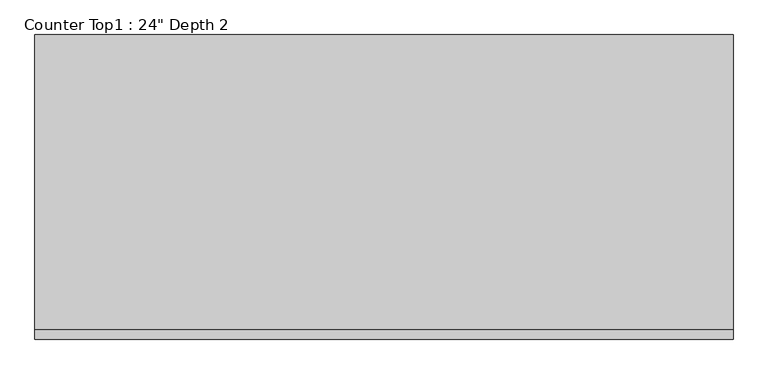
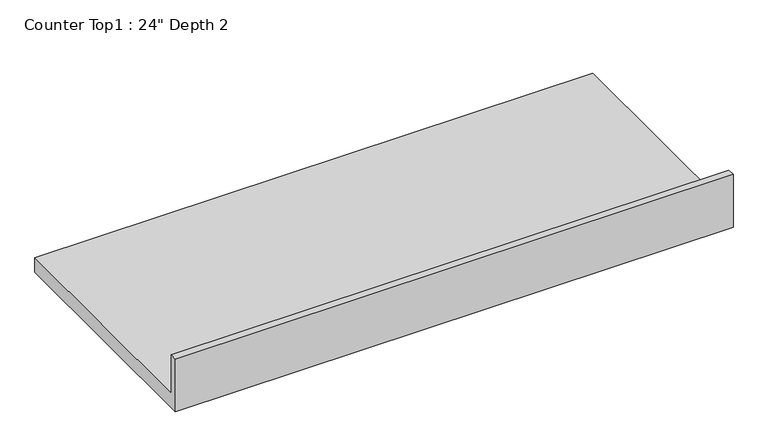
"""IFC4 building model written with IfcOpenShell, lengths in millimetres: furniture geometry."""

from ifc_helpers import new_model, si_unit, frame, origin, place, context, project, spatial, polyline, outline, extrude, source, transform, mapped, element, save


def furniture_953ddcce(model_context):
    return source(origin(), model_context, "Body", "SweptSolid", [
        extrude(outline(polyline([(0.0, 1016.0), (19.05, 1016.0), (19.05, 914.4), (609.6, 914.4), (609.6, 876.3), (0.0, 876.3), (0.0, 1016.0)])), frame((-1200.4622951, 0.0, 0.0), z_axis=(1.0, 0.0, 0.0), x_axis=(0.0, 1.0, 0.0)), (0.0, 0.0, 1.0), 1397.0),
    ])


if __name__ == "__main__":
    model = new_model("IFC4")
    model_context = context("Model", 3, world=origin())
    ifc_project = project(units=[si_unit("LENGTHUNIT", "METRE", prefix="MILLI")], contexts=[model_context])
    site = spatial("IfcSite", under=ifc_project)
    building = spatial("IfcBuilding", under=site)
    placement = place(None, origin())
    furniture_shape = furniture_953ddcce(model_context)
    element("IfcFurniture", 1, ObjectType="Counter Top1 : 24\" Depth 2", at=placement, inside=building, context=model_context, shape_type="MappedRepresentation", body=[
        mapped(furniture_shape, transform((0.0, 0.0, 0.0), x_axis=(1.0, 0.0, 0.0), y_axis=(0.0, 1.0, 0.0), z_axis=(0.0, 0.0, 1.0))),
    ])
    save(model, "model.ifc")
